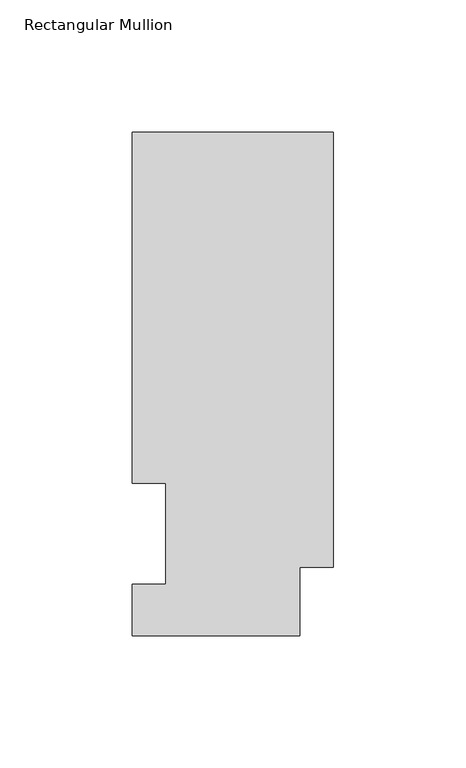
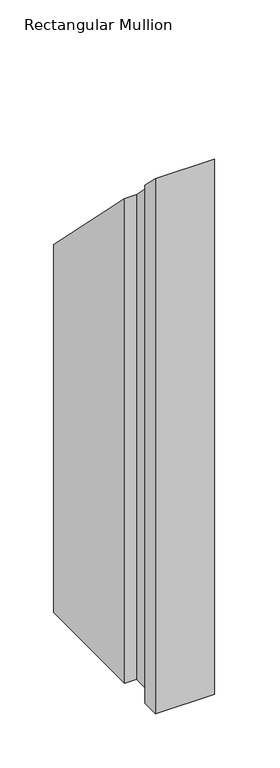
"""IFC4 building model written with IfcOpenShell, lengths in millimetres: member geometry, Rectangular Mullion."""

from ifc_helpers import new_model, si_unit, origin, place, context, project, spatial, faceted_brep, source, transform, mapped, element, save


def rectangular_mullion_a92b8753(model_context):
    return source(origin(), model_context, "Body", "Brep", [
        faceted_brep([(0.0, 190.5896937, -609.6), (0.0, 25.8960937, -609.6), (-12.7, 25.8960937, -609.6), (-12.7, 0.0134937, -609.6), (-76.2, 0.0134937, -609.6), (-76.2, 19.5460937, -609.6), (-63.5127, 19.5460937, -609.6), (-63.5127, 57.6460937, -609.6), (-76.2, 57.6460937, -609.6), (-76.2, 190.5896937, -609.6), (-76.2, 190.5896937, -190.5896937), (0.0, 190.5896937, -190.5896937), (-76.2, 57.6460937, -57.6460937), (-63.5127, 57.6460937, -57.6460937), (-63.5127, 19.5460937, -19.5460937), (-76.2, 19.5460937, -19.5460937), (-76.2, 0.0134937, -0.0134937), (-12.7, 0.0134937, -0.0134937), (-12.7, 25.8960937, -25.8960937), (0.0, 25.8960937, -25.8960937)], [[[0, 1, 2, 3, 4, 5, 6, 7, 8, 9]], [[10, 11, 0, 9]], [[12, 10, 9, 8]], [[13, 12, 8, 7]], [[14, 13, 7, 6]], [[15, 14, 6, 5]], [[16, 15, 5, 4]], [[17, 16, 4, 3]], [[18, 17, 3, 2]], [[19, 18, 2, 1]], [[11, 19, 1, 0]], [[11, 10, 12, 13, 14, 15, 16, 17, 18, 19]]]),
    ])


if __name__ == "__main__":
    model = new_model("IFC4")
    model_context = context("Model", 3, world=origin())
    ifc_project = project(units=[si_unit("LENGTHUNIT", "METRE", prefix="MILLI")], contexts=[model_context])
    site = spatial("IfcSite", under=ifc_project)
    building = spatial("IfcBuilding", under=site)
    placement = place(None, origin())
    rectangular_mullion_shape = rectangular_mullion_a92b8753(model_context)
    element("IfcMember", 1, ObjectType="Rectangular Mullion", at=placement, inside=building, context=model_context, shape_type="MappedRepresentation", body=[
        mapped(rectangular_mullion_shape, transform((0.0, 0.0, 0.0), x_axis=(1.0, 0.0, 0.0), y_axis=(0.0, 1.0, 0.0), z_axis=(0.0, 0.0, 1.0))),
    ])
    save(model, "model.ifc")
